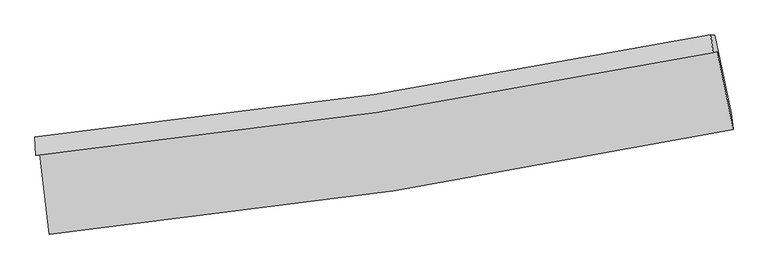
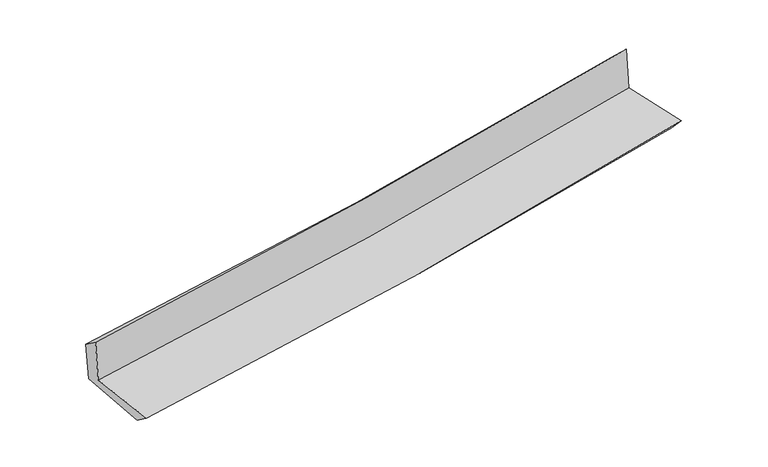
"""IFC4 building model written with IfcOpenShell, lengths in millimetres: proxy geometry."""

from ifc_helpers import new_model, si_unit, frame, origin, place, context, project, spatial, source, transform, mapped, element, save
from ifc_brep_helpers import plane_surface, spline_curve, spline_surface, advanced_brep


def generic_models_a44b2706(model_context):
    return source(origin(), model_context, "Body", "AdvancedBrep", [
        advanced_brep(
        [(-2789.929883, -1896.1687885, 1635.4938108), (-2712.8469734, -2550.328268, 1624.5249004), (2861.7877492, -1695.1069194, 2138.9608594), (2731.554428, -1059.8237672, 2129.1021841), (-2821.8903483, -1906.6301642, 2034.7862022), (2699.1754512, -1070.4221312, 2533.6231757), (-2830.1489103, -1758.2573919, 1926.2552108), (2680.8473849, -923.1466702, 2392.4999988), (-2800.258118, -1759.8985676, 1568.8302897), (2712.1777716, -924.6582895, 2029.4917478), (-2720.2081231, -2417.5713673, 1527.076926), (2847.0646279, -1563.3389002, 1993.0938949)],
        [
            (0, 1),
            (1, 2, spline_curve(3, [(-2712.8469734, -2550.328268, 1624.5249004), (-1774.363095762, -2458.613353945, 1711.021307519), (-839.990585163, -2341.366044942, 1797.192551339), (1018.200407892, -2056.164450661, 1968.669576534), (1942.039471711, -1888.33797718, 2053.97698579), (2861.7877492, -1695.1069194, 2138.9608594)], [4, 2, 4], [0.0, 9.258808294523067, 18.494413427778515])),
            (2, 3),
            (3, 0, spline_curve(3, [(2731.554428, -1059.8237672, 2129.1021841), (1818.986035238, -1246.504776199, 2052.90061827), (903.159511998, -1409.483033947, 1973.721151839), (-937.318866556, -1688.38395701, 1809.200009311), (-1861.987113546, -1804.18737292, 1723.843351116), (-2789.929883, -1896.1687885, 1635.4938108)], [4, 2, 4], [0.0, 9.235605133255447, 18.494413427778515])),
            (4, 0),
            (3, 5),
            (5, 4, spline_curve(3, [(2699.1754512, -1070.4221312, 2533.6231757), (1786.019622218, -1257.295421074, 2464.760638069), (869.933801043, -1420.358552903, 2388.820665479), (-970.40672465, -1699.214353643, 2222.57728134), (-1894.676169885, -1814.887232935, 2132.238262442), (-2821.8903483, -1906.6301642, 2034.7862022)], [4, 2, 4], [0.0, 9.188820177825049, 18.400725976285557])),
            (6, 4),
            (5, 7),
            (7, 6, spline_curve(3, [(2680.8473849, -923.1466702, 2392.4999988), (1769.812879773, -1109.441053157, 2321.673186467), (855.626072247, -1272.123155009, 2247.459049222), (-981.356833772, -1550.61218959, 2092.061161398), (-1904.168790965, -1666.300328551, 2010.860369557), (-2830.1489103, -1758.2573919, 1926.2552108)], [4, 2, 4], [0.0, 9.178251233310762, 18.379561534267715])),
            (8, 6),
            (7, 9),
            (9, 8, spline_curve(3, [(2712.1777716, -924.6582895, 2029.4917478), (1800.79582836, -1110.97430407, 1960.946512236), (886.315418608, -1273.678004419, 1888.338705221), (-951.147622913, -1552.210224962, 1734.805324617), (-1874.145842787, -1667.919950402, 1653.859312484), (-2800.258118, -1759.8985676, 1568.8302897)], [4, 2, 4], [0.0, 9.168418522977772, 18.359871410297483])),
            (10, 8),
            (9, 11),
            (11, 10, spline_curve(3, [(2847.0646279, -1563.3389002, 1993.0938949), (1927.831410302, -1756.508184604, 1923.502504493), (1004.86215871, -1924.221532716, 1849.925790199), (-850.876628635, -2209.093758259, 1694.606850871), (-1783.66496098, -2326.124565784, 1612.844575569), (-2720.2081231, -2417.5713673, 1527.076926)], [4, 2, 4], [0.0, 9.216454608463222, 18.456064265189156])),
            (1, 10),
            (11, 2),
        ],
        [
            spline_surface(3, 3, [[(-2789.929883, -1896.1687885, 1635.4938108), (-1861.98711366, -1804.187373031, 1723.843351246), (-937.318866582, -1688.383957001, 1809.200009301), (903.159512024, -1409.483033955, 1973.721151849), (1818.986035222, -1246.504776216, 2052.900618178), (2731.554428, -1059.8237672, 2129.1021841)], [(-2764.235579798, -2114.221948321, 1631.837507346), (-1832.779107705, -2022.329366702, 1719.569336671), (-904.876106165, -1906.044652939, 1805.197523301), (941.506477349, -1625.043506207, 1972.037293432), (1860.003847363, -1460.449176507, 2053.259407372), (2774.965535041, -1271.584817938, 2132.388409203)], [(-2738.541276602, -2332.275108179, 1628.181203854), (-1803.571101757, -2240.471360411, 1715.295322058), (-872.433345717, -2123.705348915, 1801.195037288), (979.853442703, -1840.603978498, 1970.353435003), (1901.021659583, -1674.393576786, 2053.618196556), (2818.376642159, -1483.345868662, 2135.674634297)], [(-2712.8469734, -2550.328268, 1624.5249004), (-1774.363095802, -2458.613354082, 1711.021307482), (-839.9905853, -2341.366044853, 1797.192551288), (1018.200408028, -2056.16445075, 1968.669576585), (1942.039471725, -1888.337977077, 2053.97698575), (2861.7877492, -1695.1069194, 2138.9608594)]], [4, 4], [4, 2, 4], [0.0, 2.1604646286732514], [0.0, 9.258808294523067, 18.494413427778515]),
            spline_surface(3, 3, [[(-2821.8903483, -1906.6301642, 2034.7862022), (-1894.676169783, -1814.887232817, 2132.238262571), (-970.406724611, -1699.214353611, 2222.577281218), (869.933801004, -1420.358552935, 2388.820665601), (1786.019622336, -1257.295421197, 2464.760638097), (2699.1754512, -1070.4221312, 2533.6231757)], [(-2811.236859883, -1903.143038956, 1901.688738392), (-1883.779817758, -1811.320612877, 1996.106625455), (-959.377438621, -1695.604221408, 2084.784857233), (881.009037992, -1416.733379942, 2250.454161005), (1797.008426645, -1253.698539555, 2327.473964794), (2709.968443481, -1066.889343218, 2398.782845171)], [(-2800.583371417, -1899.655913744, 1768.591274608), (-1872.883465685, -1807.753992971, 1859.974988362), (-948.348152573, -1691.994089204, 1946.992433286), (892.084275037, -1413.108206948, 2112.087656445), (1807.997230912, -1250.101657858, 2190.187291481), (2720.761435719, -1063.356555182, 2263.942514629)], [(-2789.929883, -1896.1687885, 1635.4938108), (-1861.98711366, -1804.187373031, 1723.843351246), (-937.318866582, -1688.383957001, 1809.200009301), (903.159512024, -1409.483033955, 1973.721151849), (1818.986035222, -1246.504776216, 2052.900618178), (2731.554428, -1059.8237672, 2129.1021841)]], [4, 4], [4, 2, 4], [0.0, 1.3638542054155278], [0.0, 9.211905798460508, 18.400725976285557]),
            spline_surface(3, 3, [[(-2830.1489103, -1758.2573919, 1926.2552108), (-1904.16879107, -1666.300328413, 2010.860369521), (-981.356833631, -1550.612189633, 2092.061161509), (855.626072106, -1272.123154966, 2247.459049112), (1769.81287973, -1109.441053135, 2321.673186443), (2680.8473849, -923.1466702, 2392.4999988)], [(-2827.396056293, -1807.714982687, 1962.432207927), (-1901.004583967, -1715.829296568, 2051.319667198), (-977.706797283, -1600.146244293, 2135.56653476), (860.39531508, -1321.534954289, 2294.579587956), (1775.215127269, -1158.725842459, 2369.36900366), (2686.956740337, -972.238490503, 2439.541057766)], [(-2824.643202307, -1857.172573413, 1998.609205073), (-1897.840376886, -1765.358264662, 2091.778964894), (-974.056760959, -1649.680298952, 2179.071907967), (865.16455803, -1370.946753612, 2341.700126757), (1780.617374797, -1208.010631873, 2417.064820879), (2693.066095763, -1021.330310897, 2486.582116734)], [(-2821.8903483, -1906.6301642, 2034.7862022), (-1894.676169783, -1814.887232817, 2132.238262571), (-970.406724611, -1699.214353611, 2222.577281218), (869.933801004, -1420.358552935, 2388.820665601), (1786.019622336, -1257.295421197, 2464.760638097), (2699.1754512, -1070.4221312, 2533.6231757)]], [4, 4], [4, 2, 4], [0.0, 0.661586274432106], [0.0, 9.201310300956953, 18.379561534267715]),
            spline_surface(3, 3, [[(-2800.258118, -1759.8985676, 1568.8302897), (-1874.145842794, -1667.919950409, 1653.859312356), (-951.147622855, -1552.210224838, 1734.805324702), (886.315418551, -1273.678004542, 1888.338705136), (1800.795828435, -1110.974304029, 1960.946512175), (2712.1777716, -924.6582895, 2029.4917478)], [(-2810.221715433, -1759.351509037, 1687.971930057), (-1884.153492219, -1667.380076414, 1772.859664735), (-961.21735978, -1551.677546445, 1853.890603624), (876.085636403, -1273.159721359, 2008.045486448), (1790.468178847, -1110.463220398, 2081.188736938), (2701.734309347, -924.154416401, 2150.49449814)], [(-2820.185312867, -1758.804450463, 1807.113570443), (-1894.161141645, -1666.840202407, 1891.860017142), (-971.287096706, -1551.144868026, 1972.975882587), (865.855854254, -1272.64143815, 2127.7522678), (1780.140529318, -1109.952136766, 2201.43096168), (2691.290847153, -923.650543299, 2271.49724846)], [(-2830.1489103, -1758.2573919, 1926.2552108), (-1904.16879107, -1666.300328413, 2010.860369521), (-981.356833631, -1550.612189633, 2092.061161509), (855.626072106, -1272.123154966, 2247.459049112), (1769.81287973, -1109.441053135, 2321.673186443), (2680.8473849, -923.1466702, 2392.4999988)]], [4, 4], [4, 2, 4], [0.0, 1.1793998458023993], [0.0, 9.191452887319711, 18.359871410297483]),
            spline_surface(3, 3, [[(-2720.2081231, -2417.5713673, 1527.076926), (-1783.664960994, -2326.124565696, 1612.844575427), (-850.876628741, -2209.093758145, 1694.60685085), (1004.862158816, -1924.22153283, 1849.925790219), (1927.831410243, -1756.508184693, 1923.502504384), (2847.0646279, -1563.3389002, 1993.0938949)], [(-2746.891454757, -2198.347100728, 1540.994713918), (-1813.825254951, -2106.723027262, 1626.516154422), (-884.300293429, -1990.13258038, 1708.006342124), (965.346578745, -1707.373690072, 1862.730095181), (1885.486216312, -1541.330224497, 1935.9838403), (2802.102342472, -1350.445363326, 2005.22651252)], [(-2773.574786343, -1979.122834172, 1554.912501782), (-1843.985548837, -1887.321488843, 1640.187733361), (-917.723958167, -1771.171402603, 1721.405833428), (925.830998622, -1490.525847301, 1875.534400174), (1843.141022366, -1326.152264224, 1948.465176258), (2757.140057028, -1137.551826374, 2017.35913018)], [(-2800.258118, -1759.8985676, 1568.8302897), (-1874.145842794, -1667.919950409, 1653.859312356), (-951.147622855, -1552.210224838, 1734.805324702), (886.315418551, -1273.678004542, 1888.338705136), (1800.795828435, -1110.974304029, 1960.946512175), (2712.1777716, -924.6582895, 2029.4917478)]], [4, 4], [4, 2, 4], [0.0, 2.178394099012911], [0.0, 9.239609656725934, 18.456064265189156]),
            spline_surface(3, 3, [[(-2712.8469734, -2550.328268, 1624.5249004), (-1774.363095802, -2458.613354082, 1711.021307482), (-839.9905853, -2341.366044853, 1797.192551288), (1018.200408028, -2056.16445075, 1968.669576585), (1942.039471725, -1888.337977077, 2053.97698575), (2861.7877492, -1695.1069194, 2138.9608594)], [(-2715.300689937, -2506.075967771, 1592.042242259), (-1777.463717503, -2414.450424625, 1678.295730123), (-843.619266442, -2297.275282615, 1762.997317826), (1013.754324962, -2012.183478108, 1929.088314481), (1937.303451253, -1844.39471293, 2010.485491962), (2856.880042122, -1651.184246314, 2090.3385379)], [(-2717.754406563, -2461.823667529, 1559.559584141), (-1780.564339293, -2370.287495154, 1645.570152786), (-847.247947598, -2253.184520382, 1728.802084312), (1009.308241883, -1968.202505471, 1889.507052324), (1932.567430715, -1800.45144884, 1966.993998172), (2851.972334978, -1607.261573286, 2041.7162164)], [(-2720.2081231, -2417.5713673, 1527.076926), (-1783.664960994, -2326.124565696, 1612.844575427), (-850.876628741, -2209.093758145, 1694.60685085), (1004.862158816, -1924.22153283, 1849.925790219), (1927.831410243, -1756.508184693, 1923.502504384), (2847.0646279, -1563.3389002, 1993.0938949)]], [4, 4], [4, 2, 4], [0.0, 0.5667536752106417], [0.0, 9.296331746971035, 18.569366296520897]),
            plane_surface(frame((2755.4345688, -1206.0827796, 2202.7953101), z_axis=(0.9759595371837703, 0.2013662855528105, 0.08339424933833878), x_axis=(-0.08598723520029464, 0.004148686868317012, 0.9962876009365358))),
            plane_surface(frame((-2779.213726, -2048.1424246, 1719.4945566), z_axis=(-0.9899227935283077, -0.1152683269854658, -0.08225615871825999), x_axis=(-0.11700916521950967, 0.992991248033537, 0.016650422920524346))),
        ],
        [
            (0, [[1, 2, 3, 4]]),
            (1, [[5, -4, 6, 7]]),
            (2, [[8, -7, 9, 10]]),
            (3, [[11, -10, 12, 13]]),
            (4, [[14, -13, 15, 16]]),
            (5, [[17, -16, 18, -2]]),
            (6, [[-12, -9, -6, -3, -18, -15]]),
            (7, [[-1, -5, -8, -11, -14, -17]]),
        ],
    ),
    ])


if __name__ == "__main__":
    model = new_model("IFC4")
    model_context = context("Model", 3, world=origin())
    ifc_project = project(units=[si_unit("LENGTHUNIT", "METRE", prefix="MILLI")], contexts=[model_context])
    site = spatial("IfcSite", under=ifc_project)
    building = spatial("IfcBuilding", under=site)
    placement = place(None, origin())
    generic_models_shape = generic_models_a44b2706(model_context)
    element("IfcBuildingElementProxy", 1, Name="Generic Models", at=placement, inside=building, context=model_context, shape_type="MappedRepresentation", body=[
        mapped(generic_models_shape, transform((0.0, 0.0, 0.0), x_axis=(1.0, 0.0, 0.0), y_axis=(0.0, 1.0, 0.0), z_axis=(0.0, 0.0, 1.0))),
    ])
    save(model, "model.ifc")
